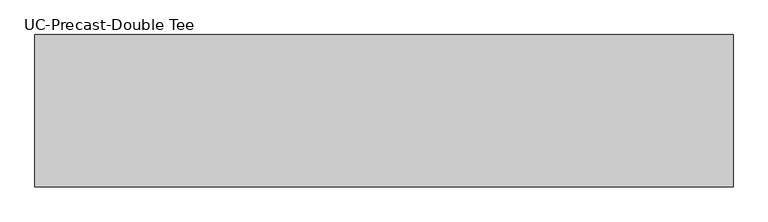
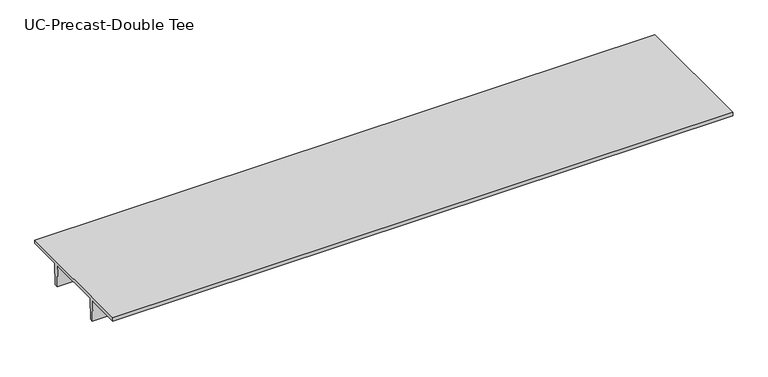
"""IFC4 building model written with IfcOpenShell, lengths in millimetres: beam geometry, UC-Precast-Double Tee."""

import ifcopenshell
import ifcopenshell.guid

model = None  # the IFC model being written
_history = None  # IfcOwnerHistory: only IFC2X3 demands one
_inside = {}  # id of a spatial element -> (the spatial element, [elements in it])
_under = {}  # id of a project, library or spatial element -> (it, [spatial elements below it])
_declared = {}  # id of a project -> (the project, [libraries it declares])
_typed = {}  # id of a type object -> (the type object, [elements of that type])
_made_of = {}  # id of a material, layer set ... -> (it, [elements and type objects made of it])


def new_model(schema):
    """Start an empty IFC model of exactly this schema.

    Asked for "IFC4X3", IfcOpenShell would pick the latest addendum, in which some entities
    have other attributes; the version numbers below select the first issue.
    IFC2X3 requires an IfcOwnerHistory on every rooted entity: one is made here for all.
    """
    global model, _history
    if schema == "IFC4X3":
        model = ifcopenshell.file(schema_version=(4, 3, 0, 0))
    else:
        model = ifcopenshell.file(schema=schema)
    _inside.clear()
    _under.clear()
    _declared.clear()
    _typed.clear()
    _made_of.clear()
    _history = None
    if model.schema == "IFC2X3":
        org = make("IfcOrganization", Name="unknown")
        user = make(
            "IfcPersonAndOrganization",
            ThePerson=make("IfcPerson", FamilyName="unknown"),
            TheOrganization=org,
        )
        app = make(
            "IfcApplication",
            ApplicationDeveloper=org,
            Version="unknown",
            ApplicationFullName="unknown",
            ApplicationIdentifier="unknown",
        )
        _history = make(
            "IfcOwnerHistory",
            OwningUser=user,
            OwningApplication=app,
            ChangeAction="ADDED",
            CreationDate=0,
        )
    return model


def make(cls, **values):
    """One entity of the class cls with the attributes given. An attribute that is None is left unset."""
    return model.create_entity(
        cls, **{name: value for name, value in values.items() if value is not None}
    )


def rooted(cls, **values):
    """An entity with a GlobalId (a new one), such as an element, a storey or a relation."""
    return make(cls, GlobalId=ifcopenshell.guid.new(), OwnerHistory=_history, **values)


def si_unit(unit_type, name, prefix=None):
    """IfcSIUnit, for example si_unit("LENGTHUNIT", "METRE", prefix="MILLI")."""
    return make("IfcSIUnit", UnitType=unit_type, Prefix=prefix, Name=name)


def assignment(units):
    """IfcUnitAssignment: the units of a project."""
    return None if units is None else make("IfcUnitAssignment", Units=units)


def point(xyz):
    """IfcCartesianPoint."""
    return None if xyz is None else make("IfcCartesianPoint", Coordinates=xyz)


def direction(xyz):
    """IfcDirection."""
    return None if xyz is None else make("IfcDirection", DirectionRatios=xyz)


def frame(location, z_axis=None, x_axis=None):
    """IfcAxis2Placement3D, a coordinate frame: its origin and axes. An axis left out is left unset."""
    return make(
        "IfcAxis2Placement3D",
        Location=point(location),
        Axis=direction(z_axis),
        RefDirection=direction(x_axis),
    )


def origin():
    """The frame at (0, 0, 0) with its axes left unset."""
    return frame((0.0, 0.0, 0.0))


def place(relative_to, where):
    """IfcLocalPlacement: puts the frame where relative to a parent placement (None: the world)."""
    return make(
        "IfcLocalPlacement", PlacementRelTo=relative_to, RelativePlacement=where
    )


def context(
    kind, dimensions, precision=None, world=None, true_north=None, identifier=None
):
    """IfcGeometricRepresentationContext, for example the 3D "Model" context."""
    return make(
        "IfcGeometricRepresentationContext",
        ContextIdentifier=identifier,
        ContextType=kind,
        CoordinateSpaceDimension=dimensions,
        Precision=precision,
        WorldCoordinateSystem=world,
        TrueNorth=true_north,
    )


def project(units=None, contexts=None):
    """IfcProject with its units and contexts."""
    return rooted(
        "IfcProject",
        Name="project",
        RepresentationContexts=contexts,
        UnitsInContext=assignment(units),
    )


def spatial(cls, under=None, at=None, **own):
    """A site, building, storey or space (cls), placed at a placement, below another one or the project."""
    s = rooted(cls, ObjectPlacement=at, **own)
    if under is not None:
        _under.setdefault(under.id(), (under, []))[1].append(s)
    return s


def polyline(points):
    """IfcPolyline through the points."""
    return make("IfcPolyline", Points=[point(p) for p in points])


def outline(outer, holes=None, kind="AREA"):
    """IfcArbitraryClosedProfileDef: a profile drawn as a closed curve; with holes, ...WithVoids."""
    if holes is None:
        return make("IfcArbitraryClosedProfileDef", ProfileType=kind, OuterCurve=outer)
    return make(
        "IfcArbitraryProfileDefWithVoids",
        ProfileType=kind,
        OuterCurve=outer,
        InnerCurves=holes,
    )


def extrude(swept, where, along, depth):
    """IfcExtrudedAreaSolid: the profile swept, set in the frame where, extruded along a direction by depth."""
    return make(
        "IfcExtrudedAreaSolid",
        SweptArea=swept,
        Position=where,
        ExtrudedDirection=direction(along),
        Depth=depth,
    )


def shape(context_of_items, identifier, shape_type, items):
    """IfcShapeRepresentation: the items that make up one representation, for example the "Body"."""
    return make(
        "IfcShapeRepresentation",
        ContextOfItems=context_of_items,
        RepresentationIdentifier=identifier,
        RepresentationType=shape_type,
        Items=items,
    )


def source(mapping_origin, context_of_items, identifier, shape_type, items):
    """IfcRepresentationMap: a shape defined once, which mapped items show again and again."""
    return make(
        "IfcRepresentationMap",
        MappingOrigin=mapping_origin,
        MappedRepresentation=shape(context_of_items, identifier, shape_type, items),
    )


def transform(
    local_origin,
    x_axis=None,
    y_axis=None,
    z_axis=None,
    scale=None,
    scale2=None,
    scale3=None,
    uniform=True,
):
    """IfcCartesianTransformationOperator3D, or its non-uniform kind. x_axis, y_axis, z_axis: its Axis1, 2, 3."""
    if uniform:
        return make(
            "IfcCartesianTransformationOperator3D",
            Axis1=direction(x_axis),
            Axis2=direction(y_axis),
            LocalOrigin=point(local_origin),
            Scale=scale,
            Axis3=direction(z_axis),
        )
    return make(
        "IfcCartesianTransformationOperator3DnonUniform",
        Axis1=direction(x_axis),
        Axis2=direction(y_axis),
        LocalOrigin=point(local_origin),
        Scale=scale,
        Axis3=direction(z_axis),
        Scale2=scale2,
        Scale3=scale3,
    )


def mapped(mapping_source, mapping_target):
    """IfcMappedItem: shows the shape of a source again, moved by a transform."""
    return make(
        "IfcMappedItem", MappingSource=mapping_source, MappingTarget=mapping_target
    )


def made_of(thing, what):
    """Note that an element or type object is made of a material, layer set ...; save() writes the relation."""
    if what is not None:
        _made_of.setdefault(what.id(), (what, []))[1].append(thing)
    return thing


def element(
    cls,
    number,
    at=None,
    inside=None,
    cuts=None,
    type_object=None,
    material=None,
    context=None,
    identifier="Body",
    shape_type=None,
    held_by="IfcProductDefinitionShape",
    body=None,
    shapes=None,
    **own,
):
    """One element of the class cls, such as IfcWall. Its Tag is "e" and its number.

    at: its placement. inside: the storey or other place that contains it. cuts: it is an
    opening in that element (IfcRelVoidsElement). A single representation is given by context,
    identifier, shape_type and body (its items); several are given by shapes. held_by: the class
    of the entity that holds the representations. save() writes the other relations.
    """
    e = rooted(cls, Tag="e%d" % number, ObjectPlacement=at, **own)
    if body is not None:
        shapes = [shape(context, identifier, shape_type, body)]
    if shapes is not None:
        e.Representation = make(held_by, Representations=shapes)
    if inside is not None:
        _inside.setdefault(inside.id(), (inside, []))[1].append(e)
    if cuts is not None:
        rooted(
            "IfcRelVoidsElement", RelatingBuildingElement=cuts, RelatedOpeningElement=e
        )
    if type_object is not None:
        _typed.setdefault(type_object.id(), (type_object, []))[1].append(e)
    return made_of(e, material)


def aggregate(whole, parts):
    """IfcRelAggregates: a whole, such as a stair, and the parts it consists of."""
    return rooted("IfcRelAggregates", RelatingObject=whole, RelatedObjects=parts)


def save(model, path):
    """Write the relations noted so far, then the file.

    IfcRelAggregates (storeys below a building ...), IfcRelContainedInSpatialStructure (elements
    in a storey), IfcRelDefinesByType, IfcRelAssociatesMaterial and IfcRelDeclares: one each for
    every whole, place, type object, material and project.
    """
    for whole, parts in _under.values():
        aggregate(whole, parts)
    for where, things in _inside.values():
        rooted(
            "IfcRelContainedInSpatialStructure",
            RelatedElements=things,
            RelatingStructure=where,
        )
    for kind, things in _typed.values():
        rooted("IfcRelDefinesByType", RelatedObjects=things, RelatingType=kind)
    for what, things in _made_of.values():
        rooted("IfcRelAssociatesMaterial", RelatedObjects=things, RelatingMaterial=what)
    for by, libraries in _declared.values():
        rooted("IfcRelDeclares", RelatingContext=by, RelatedDefinitions=libraries)
    model.write(path)


def uc_precast_double_tee_bcbf19e9(model_context):
    return source(origin(), model_context, "Body", "SweptSolid", [
        extrude(outline(polyline([(2032.0, 381.0), (2032.0, 279.4), (990.6, 279.4), (965.2, -381.0), (863.6, -381.0), (838.2, 279.4), (-838.2, 279.4), (-863.6, -381.0), (-965.2, -381.0), (-990.6, 279.4), (-2032.0, 279.4), (-2032.0, 381.0), (2032.0, 381.0)])), frame((-9347.2, 0.0, 0.0), z_axis=(1.0, 0.0, 0.0), x_axis=(0.0, 1.0, 0.0)), (0.0, 0.0, 1.0), 18643.6),
    ])


if __name__ == "__main__":
    model = new_model("IFC4")
    model_context = context("Model", 3, world=origin())
    ifc_project = project(units=[si_unit("LENGTHUNIT", "METRE", prefix="MILLI")], contexts=[model_context])
    site = spatial("IfcSite", under=ifc_project)
    building = spatial("IfcBuilding", under=site)
    placement = place(None, origin())
    uc_precast_double_tee_shape = uc_precast_double_tee_bcbf19e9(model_context)
    element("IfcBeam", 1, ObjectType="UC-Precast-Double Tee", at=placement, inside=building, context=model_context, shape_type="MappedRepresentation", body=[
        mapped(uc_precast_double_tee_shape, transform((0.0, 0.0, 0.0), x_axis=(1.0, 0.0, 0.0), y_axis=(0.0, 1.0, 0.0), z_axis=(0.0, 0.0, 1.0))),
    ])
    save(model, "model.ifc")
